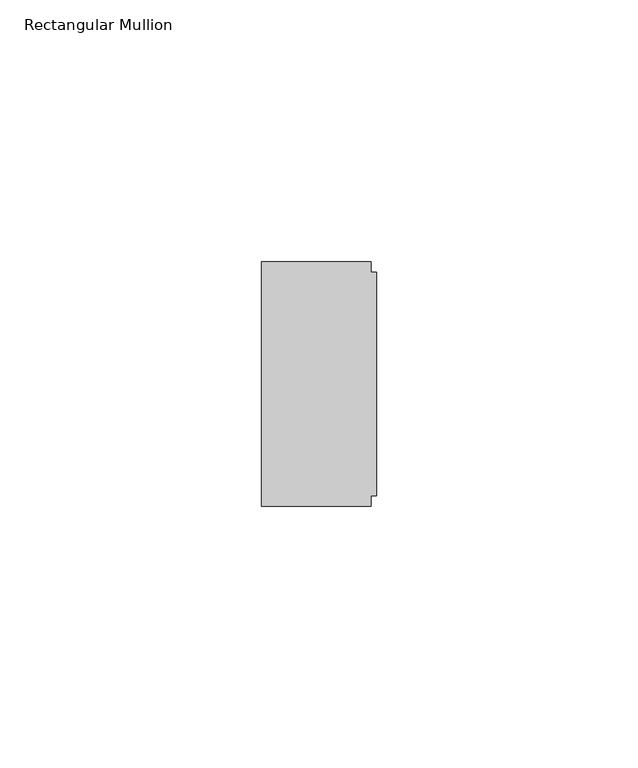
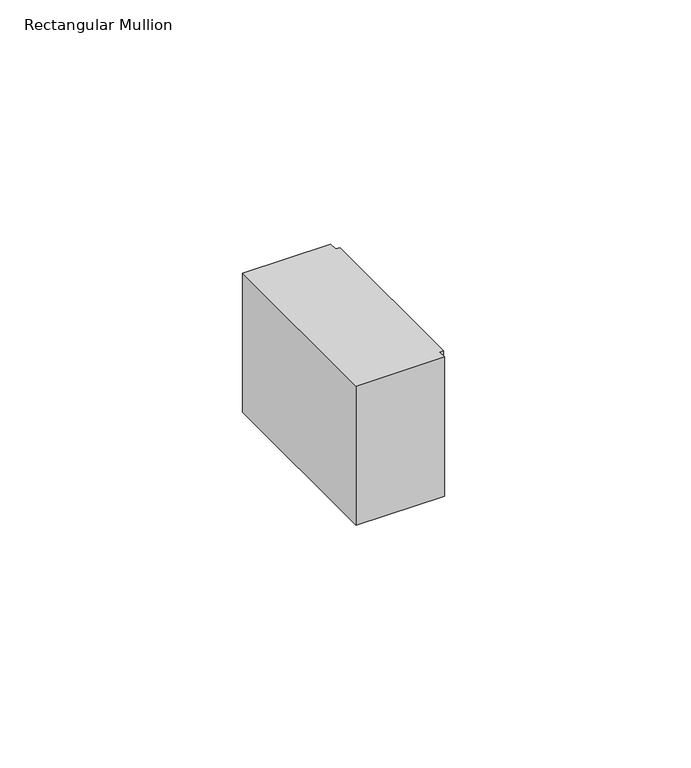
"""IFC4 building model written with IfcOpenShell, lengths in millimetres: member geometry, Rectangular Mullion."""

from ifc_helpers import new_model, si_unit, frame, origin, place, context, project, spatial, polyline, outline, extrude, source, transform, mapped, element, save


def rectangular_mullion_83bbf429(model_context):
    return source(origin(), model_context, "Body", "SweptSolid", [
        extrude(outline(polyline([(-1.0, 23.4), (-1.0, 21.4), (0.0, 21.4), (0.0, -21.4), (-1.0, -21.4), (-1.0, -23.4), (-22.0, -23.4), (-22.0, 23.4), (-1.0, 23.4)])), frame((0.0, 0.0, -35.0), z_axis=(0.0, 0.0, 1.0), x_axis=(1.0, 0.0, 0.0)), (0.0, 0.0, 1.0), 35.0),
    ])


if __name__ == "__main__":
    model = new_model("IFC4")
    model_context = context("Model", 3, world=origin())
    ifc_project = project(units=[si_unit("LENGTHUNIT", "METRE", prefix="MILLI")], contexts=[model_context])
    site = spatial("IfcSite", under=ifc_project)
    building = spatial("IfcBuilding", under=site)
    placement = place(None, origin())
    rectangular_mullion_shape = rectangular_mullion_83bbf429(model_context)
    element("IfcMember", 1, ObjectType="Rectangular Mullion", at=placement, inside=building, context=model_context, shape_type="MappedRepresentation", body=[
        mapped(rectangular_mullion_shape, transform((0.0, 0.0, 0.0), x_axis=(1.0, 0.0, 0.0), y_axis=(0.0, 1.0, 0.0), z_axis=(0.0, 0.0, 1.0))),
    ])
    save(model, "model.ifc")
